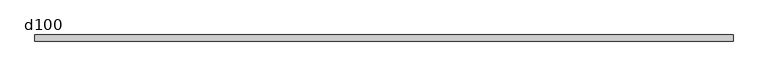
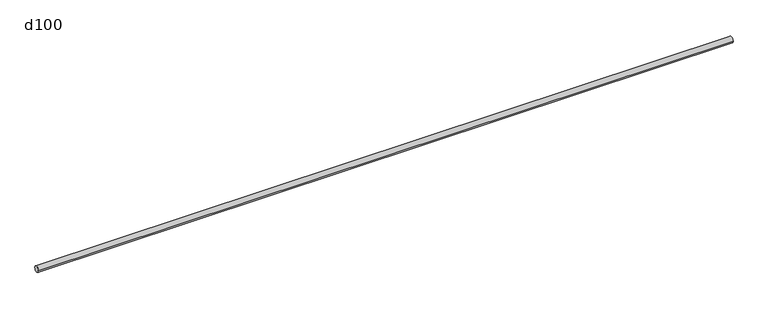
"""IFC4 building model written with IfcOpenShell, lengths in millimetres: beam geometry, d100."""

from ifc_helpers import new_model, si_unit, point, frame, origin, origin_2d, place, context, project, spatial, circle_curve, trimmed, segment, composite_curve, outline, extrude, source, transform, mapped, element, save


def d100_6cd96f91(model_context):
    return source(origin(), model_context, "Body", "SweptSolid", [
        extrude(outline(composite_curve([segment(trimmed(circle_curve(origin_2d(), 50.0), [point((-50.0, 0.0))], [point((50.0, 0.0))], False, "CARTESIAN"), True, "CONTINUOUS"), segment(trimmed(circle_curve(origin_2d(), 50.0), [point((50.0, 0.0))], [point((-50.0, 0.0))], False, "CARTESIAN"), True, "CONTINUOUS")], self_intersect=False)), frame((-5680.0, 0.0, 0.0), z_axis=(1.0, 0.0, 0.0), x_axis=(0.0, 1.0, 0.0)), (0.0, 0.0, 1.0), 11360.0),
    ])


if __name__ == "__main__":
    model = new_model("IFC4")
    model_context = context("Model", 3, world=origin())
    ifc_project = project(units=[si_unit("LENGTHUNIT", "METRE", prefix="MILLI")], contexts=[model_context])
    site = spatial("IfcSite", under=ifc_project)
    building = spatial("IfcBuilding", under=site)
    placement = place(None, origin())
    d100_shape = d100_6cd96f91(model_context)
    element("IfcBeam", 1, ObjectType="d100", at=placement, inside=building, context=model_context, shape_type="MappedRepresentation", body=[
        mapped(d100_shape, transform((0.0, 0.0, 0.0), x_axis=(1.0, 0.0, 0.0), y_axis=(0.0, 1.0, 0.0), z_axis=(0.0, 0.0, 1.0))),
    ])
    save(model, "model.ifc")
